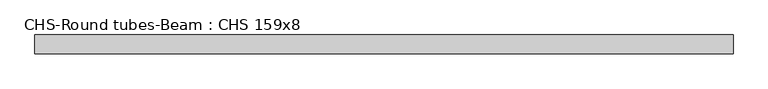
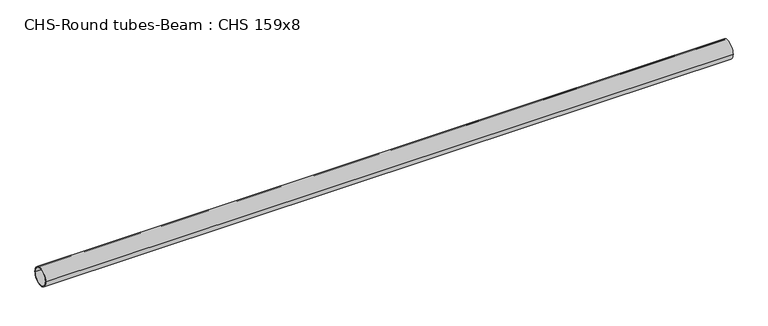
"""IFC4 building model written with IfcOpenShell, lengths in millimetres: beam geometry, CHS-Round tubes-Beam : CHS 159x8."""

from ifc_helpers import new_model, si_unit, point, frame, origin, origin_2d, place, context, project, spatial, circle_curve, trimmed, segment, composite_curve, outline, extrude, source, transform, mapped, element, save


def chs_round_tubes_beam_chs_159x8_f6b1e619(model_context):
    return source(origin(), model_context, "Body", "SweptSolid", [
        extrude(outline(composite_curve([segment(trimmed(circle_curve(origin_2d(), 79.5), [point((79.5, 0.0))], [point((-79.5, 0.0))], False, "CARTESIAN"), True, "CONTINUOUS"), segment(trimmed(circle_curve(origin_2d(), 79.5), [point((-79.5, 0.0))], [point((79.5, 0.0))], False, "CARTESIAN"), True, "CONTINUOUS")], self_intersect=False), holes=[composite_curve([segment(trimmed(circle_curve(origin_2d(), 71.5), [point((71.5, 0.0))], [point((-71.5, 0.0))], True, "CARTESIAN"), True, "CONTINUOUS"), segment(trimmed(circle_curve(origin_2d(), 71.5), [point((-71.5, 0.0))], [point((71.5, 0.0))], True, "CARTESIAN"), True, "CONTINUOUS")], self_intersect=False)]), frame((-2941.8871843, 0.0, 0.0), z_axis=(1.0, 0.0, 0.0), x_axis=(0.0, 1.0, 0.0)), (0.0, 0.0, 1.0), 5883.7743686),
    ])


if __name__ == "__main__":
    model = new_model("IFC4")
    model_context = context("Model", 3, world=origin())
    ifc_project = project(units=[si_unit("LENGTHUNIT", "METRE", prefix="MILLI")], contexts=[model_context])
    site = spatial("IfcSite", under=ifc_project)
    building = spatial("IfcBuilding", under=site)
    placement = place(None, origin())
    chs_round_tubes_beam_chs_159x8_shape = chs_round_tubes_beam_chs_159x8_f6b1e619(model_context)
    element("IfcBeam", 1, ObjectType="CHS-Round tubes-Beam : CHS 159x8", at=placement, inside=building, context=model_context, shape_type="MappedRepresentation", body=[
        mapped(chs_round_tubes_beam_chs_159x8_shape, transform((0.0, 0.0, 0.0), x_axis=(1.0, 0.0, 0.0), y_axis=(0.0, 1.0, 0.0), z_axis=(0.0, 0.0, 1.0))),
    ])
    save(model, "model.ifc")
